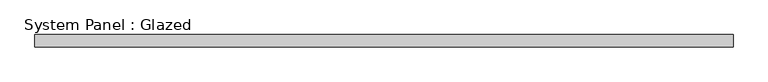
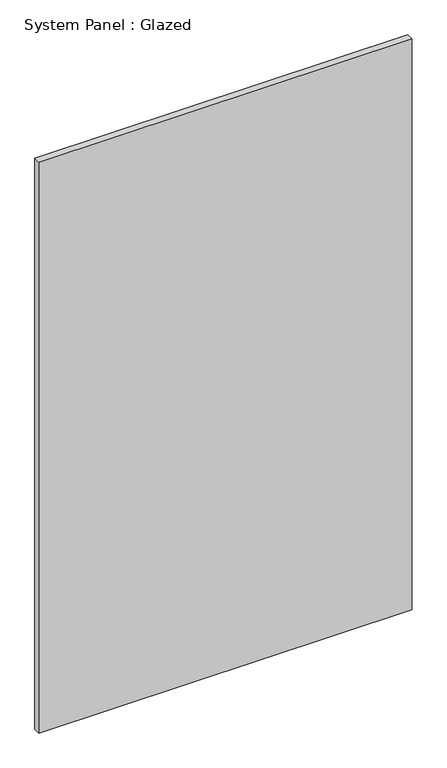
"""IFC4 building model written with IfcOpenShell, lengths in millimetres: plate geometry, System Panel : Glazed."""

from ifc_helpers import new_model, si_unit, origin, origin_with_axes, place, context, project, spatial, polyline, outline, extrude, source, transform, mapped, element, save


def system_panel_glazed_ee9c5470(model_context):
    return source(origin(), model_context, "Body", "SweptSolid", [
        extrude(outline(polyline([(718.3333333, 24.5), (-718.3333333, 24.5), (-718.3333333, 49.5), (718.3333333, 49.5), (718.3333333, 24.5)])), origin_with_axes(), (0.0, 0.0, 1.0), 2325.0),
    ])


if __name__ == "__main__":
    model = new_model("IFC4")
    model_context = context("Model", 3, world=origin())
    ifc_project = project(units=[si_unit("LENGTHUNIT", "METRE", prefix="MILLI")], contexts=[model_context])
    site = spatial("IfcSite", under=ifc_project)
    building = spatial("IfcBuilding", under=site)
    placement = place(None, origin())
    system_panel_glazed_shape = system_panel_glazed_ee9c5470(model_context)
    element("IfcPlate", 1, ObjectType="System Panel : Glazed", at=placement, inside=building, context=model_context, shape_type="MappedRepresentation", body=[
        mapped(system_panel_glazed_shape, transform((0.0, 0.0, 0.0), x_axis=(1.0, 0.0, 0.0), y_axis=(0.0, 1.0, 0.0), z_axis=(0.0, 0.0, 1.0))),
    ])
    save(model, "model.ifc")
